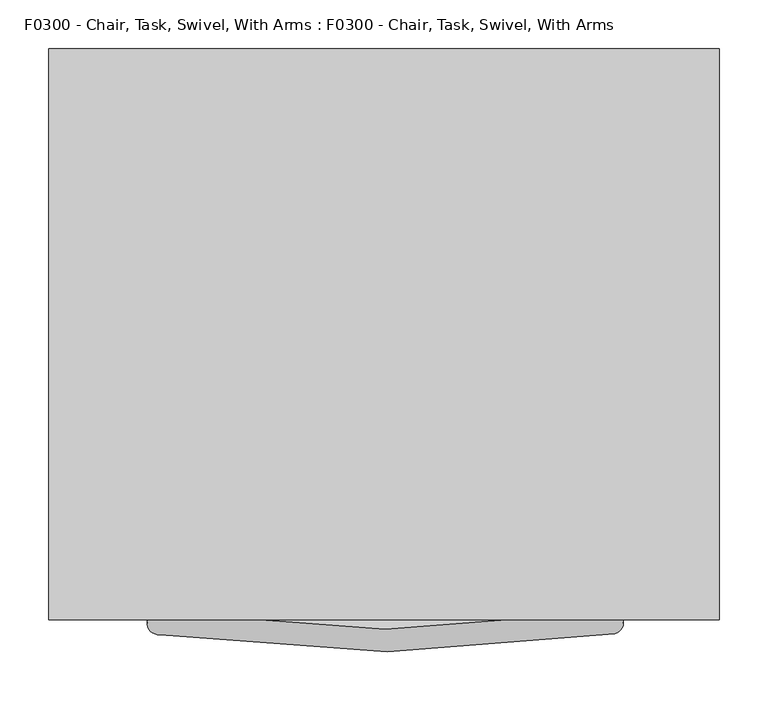
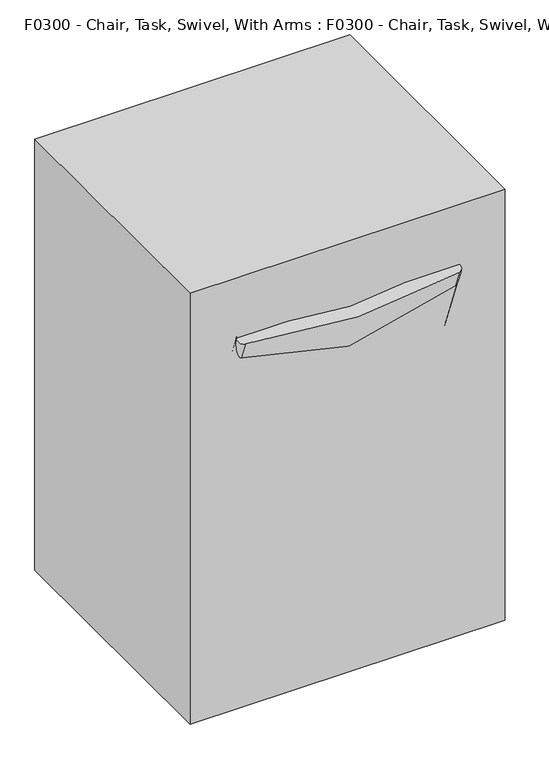
"""IFC4 building model written with IfcOpenShell, lengths in millimetres: proxy geometry, F0300 - Chair, Task, Swivel, With Arms : F0300 - Chair, Task, Swivel, With Arms."""

from ifc_helpers import new_model, si_unit, point, frame, frame_2d, origin, origin_with_axes, origin_2d, place, context, project, spatial, polyline, circle_curve, ellipse_curve, trimmed, segment, composite_curve, outline, extrude, source, transform, mapped, element, save
from ifc_brep_helpers import plane_surface, cylinder_surface, revolved_surface, advanced_brep


def f0300_chair_task_swivel_with_arms_f0300_chair_task_swivel_94210f66(model_context):
    return source(origin(), model_context, "Body", "SolidModel", [
        advanced_brep(
        [(20.5891067, 0.9088165, 158.3164474), (12.606954, -16.2089653, 158.3164474), (12.606954, -16.2089653, 212.7487443), (20.5891067, 0.9088165, 212.7487443), (283.7284885, -121.7950923, 86.0096871), (283.7284885, -121.7950923, 57.6571213), (275.3053581, -138.7072429, 86.2220806), (287.501904, -133.9556376, 82.2734822), (275.3053581, -138.7072429, 57.8258095), (287.501904, -133.9556376, 54.689734)],
        [
            (0, 1),
            (1, 2),
            (2, 3),
            (3, 0),
            (3, 4),
            (4, 5),
            (5, 0),
            (2, 6),
            (6, 7, ellipse_curve(frame((278.918781, -129.9532617, 86.4074773), z_axis=(0.3625792018206629, -0.16907345849670724, 0.9164881276039822), x_axis=(0.8306203267741233, -0.3873246193939933, -0.40006188516396646)), 10.333389, 9.4704283)),
            (7, 4, ellipse_curve(frame((278.918781, -129.9532617, 86.4074773), z_axis=(0.3625792018206629, -0.16907345849670724, 0.9164881276039822), x_axis=(0.8306203267741233, -0.3873246193939933, -0.40006188516396646)), 10.333389, 9.4704283)),
            (1, 8),
            (8, 6),
            (5, 9, ellipse_curve(frame((278.918781, -129.9532617, 57.9730562), z_axis=(-0.2968743688836678, 0.13843479172039067, -0.9448287768380342), x_axis=(0.8563056778646188, -0.3993018953098915, -0.3275646233321667)), 10.0234334, 9.4704283)),
            (9, 8, ellipse_curve(frame((278.918781, -129.9532617, 57.9730562), z_axis=(-0.2968743688836678, 0.13843479172039067, -0.9448287768380342), x_axis=(0.8563056778646188, -0.3993018953098915, -0.3275646233321667)), 10.0234334, 9.4704283)),
            (9, 7),
        ],
        [
            plane_surface(frame((16.5980304, -7.6500744, 185.5325958), z_axis=(-0.9063077870366449, 0.42261826174071043, 0.0), x_axis=(-0.42261826174071043, -0.9063077870366449, 0.0))),
            plane_surface(frame((20.5891067, 0.9088165, 185.5325958), z_axis=(0.4226182617407104, 0.9063077870366448, 0.0), x_axis=(0.0, 0.0, 1.0))),
            plane_surface(frame((16.5980304, -7.6500744, 212.7487443), z_axis=(0.36257920182066294, -0.16907345849670727, 0.9164881276039825), x_axis=(-0.42261826174071043, -0.9063077870366449, 0.0))),
            plane_surface(frame((12.606954, -16.2089653, 185.5325958), z_axis=(-0.4226182617407102, -0.906307787036645, 0.0), x_axis=(0.0, 0.0, -1.0))),
            plane_surface(frame((16.5980304, -7.6500744, 158.3164474), z_axis=(-0.29687436888366786, 0.1384347917203907, -0.9448287768380345), x_axis=(0.42261826174071043, 0.9063077870366449, 0.0))),
            cylinder_surface(frame((278.918781, -129.9532617, 0.0), z_axis=(0.0, 0.0, -1.0000000000000002), x_axis=(-0.9063077870366449, 0.42261826174071043, 0.0)), 9.4704283),
        ],
        [
            (0, [[1, 2, 3, 4]]),
            (1, [[-4, 5, 6, 7]]),
            (2, [[-3, 8, 9, 10, -5]]),
            (3, [[-2, 11, 12, -8]]),
            (4, [[-1, -7, 13, 14, -11]]),
            (5, [[15, -9, -12, -14]]),
            (5, [[-15, -13, -6, -10]]),
        ],
    ),
        extrude(outline(composite_curve([segment(trimmed(circle_curve(frame_2d((-0.4565328, 0.2009494)), 25.4), [point((24.9434672, 0.2009494))], [point((-25.8565328, 0.2009494))], False, "CARTESIAN"), True, "CONTINUOUS"), segment(trimmed(circle_curve(frame_2d((-0.4565328, 0.2009494)), 25.4), [point((-25.8565328, 0.2009494))], [point((24.9434672, 0.2009494))], False, "CARTESIAN"), True, "CONTINUOUS")], self_intersect=False)), frame((0.0, 0.0, 154.0271692), z_axis=(0.0, 0.0, 1.0), x_axis=(1.0, 0.0, 0.0)), (0.0, 0.0, 1.0), 58.7215752),
        advanced_brep(
        [(-229.5082147, -191.2947504, 328.6387079), (232.0214447, -190.8605661, 328.5937403), (236.3508412, -215.7557493, 331.1720849), (-229.5082147, -216.926585, 331.293346), (-229.5082147, -284.2177228, 855.6310718), (-229.5082147, -307.3958289, 844.3699241), (236.3508412, -306.337077, 844.8843217), (232.0214447, -283.8251028, 855.8218273)],
        [
            (0, 1, circle_curve(frame((0.0, 1130.5045098, 191.7425871), z_axis=(0.0, 0.10301698777210262, 0.9946795967699159), x_axis=(-1.0, 0.0, 0.0)), 1348.5428628)),
            (1, 2, circle_curve(frame((232.0214447, -203.6806144, 329.9214872), z_axis=(0.0, -0.10301698777210262, -0.9946795967699159), x_axis=(-1.0, 0.0, 0.0)), 12.888621)),
            (2, 3, circle_curve(frame((0.0, 1130.5045098, 191.7425871), z_axis=(0.0, -0.10301698777210262, -0.9946795967699159), x_axis=(-1.0, 0.0, 0.0)), 1373.9428628)),
            (3, 0, circle_curve(frame((-229.5082147, -204.1106677, 329.9660269), z_axis=(0.0, -0.10301698777210262, -0.9946795967699159), x_axis=(-1.0, 0.0, 0.0)), 12.8844679)),
            (4, 5, circle_curve(frame((-229.5082147, -295.8067759, 850.0004979), z_axis=(0.0, -0.4370047614753844, 0.8994591922082082), x_axis=(-1.0, 0.0, 0.0)), 12.8844679)),
            (5, 6, circle_curve(frame((0.0, 911.0460573, 1436.3533187), z_axis=(0.0, -0.4370047614753844, 0.8994591922082082), x_axis=(-1.0, 0.0, 0.0)), 1373.9428628)),
            (6, 7, circle_curve(frame((232.0214447, -295.4178914, 850.1894385), z_axis=(0.0, -0.4370047614753844, 0.8994591922082082), x_axis=(-1.0, 0.0, 0.0)), 12.888621)),
            (7, 4, circle_curve(frame((0.0, 911.0460573, 1436.3533187), z_axis=(0.0, 0.4370047614753844, -0.8994591922082082), x_axis=(-1.0, 0.0, 0.0)), 1348.5428628)),
            (7, 1, circle_curve(frame((232.0214447, -1161.9751957, 429.1701512), z_axis=(-1.0, 0.0, 0.0), x_axis=(0.0, 0.9946795967699159, -0.10301698777210261)), 976.308987)),
            (0, 4, circle_curve(frame((-229.5082147, -1161.9751957, 429.1701512), z_axis=(1.0, 0.0, 0.0), x_axis=(0.0, 0.9946795967699159, -0.10301698777210261)), 975.8724803)),
            (6, 2, circle_curve(frame((236.3508412, -1161.9751957, 429.1701512), z_axis=(-1.0, 0.0, 0.0), x_axis=(0.0, 0.9946795967699159, -0.10301698777210261)), 951.280643)),
            (5, 3, circle_curve(frame((-229.5082147, -1161.9751957, 429.1701512), z_axis=(-1.0, 0.0, 0.0), x_axis=(0.0, 0.9946795967699159, -0.10301698777210261)), 950.1035446)),
        ],
        [
            plane_surface(frame((-317.5, -173.1564347, 326.7601586), z_axis=(0.0, -0.10301698777210258, -0.994679596769916), x_axis=(-1.0, 0.0, 0.0))),
            plane_surface(frame((-317.5, -267.815783, 863.6), z_axis=(0.0, -0.4370047614753844, 0.8994591922082082), x_axis=(-1.0, 0.0, 0.0))),
            revolved_surface(trimmed(ellipse_curve(frame((0.0, 1130.5045098, 191.7425871), z_axis=(0.0, 0.10301698777210262, 0.9946795967699159), x_axis=(-1.0, 0.0, 0.0)), 1348.5428628, 1348.5428628), [point((-229.5082147, -191.2947504, 328.6387079))], [point((232.0214447, -190.8605661, 328.5937403))], True, "CARTESIAN"), (-317.5, -1161.9751957, 429.1701512), (1.0, 0.0, 0.0)),
            revolved_surface(trimmed(ellipse_curve(frame((232.0214447, -203.6806144, 329.9214872), z_axis=(0.0, -0.10301698777210262, -0.9946795967699159), x_axis=(-1.0, 0.0, 0.0)), 12.888621, 12.888621), [point((232.0214447, -190.8605661, 328.5937403))], [point((236.3508412, -215.7557493, 331.1720849))], True, "CARTESIAN"), (-317.5, -1161.9751957, 429.1701512), (1.0, 0.0, 0.0)),
            revolved_surface(trimmed(ellipse_curve(frame((0.0, 1130.5045098, 191.7425871), z_axis=(0.0, -0.10301698777210262, -0.9946795967699159), x_axis=(-1.0, 0.0, 0.0)), 1373.9428628, 1373.9428628), [point((236.3508412, -215.7557493, 331.1720849))], [point((-229.5082147, -216.926585, 331.293346))], True, "CARTESIAN"), (-317.5, -1161.9751957, 429.1701512), (1.0, 0.0, 0.0)),
            revolved_surface(trimmed(ellipse_curve(frame((-229.5082147, -204.1106677, 329.9660269), z_axis=(0.0, -0.10301698777210262, -0.9946795967699159), x_axis=(-1.0, 0.0, 0.0)), 12.8844679, 12.8844679), [point((-229.5082147, -216.926585, 331.293346))], [point((-229.5082147, -191.2947504, 328.6387079))], True, "CARTESIAN"), (-317.5, -1161.9751957, 429.1701512), (1.0, 0.0, 0.0)),
        ],
        [
            (0, [[1, 2, 3, 4]]),
            (1, [[5, 6, 7, 8]]),
            (2, [[9, -1, 10, -8]]),
            (3, [[11, -2, -9, -7]]),
            (4, [[12, -3, -11, -6]]),
            (5, [[-10, -4, -12, -5]]),
        ],
    ),
        extrude(outline(composite_curve([segment(polyline([(-213.079753, -174.0379297), (-213.079753, 182.9075832)]), True, "CONTINUOUS"), segment(trimmed(circle_curve(frame_2d((-186.3342402, 182.9075832)), 26.7455128), [point((-213.079753, 182.9075832))], [point((-186.3342402, 209.653096))], False, "CARTESIAN"), True, "CONTINUOUS"), segment(polyline([(-186.3342402, 209.653096), (194.6657598, 209.653096)]), True, "CONTINUOUS"), segment(trimmed(circle_curve(frame_2d((194.6657598, 182.9075832)), 26.7455128), [point((194.6657598, 209.653096))], [point((221.4112726, 182.9075832))], False, "CARTESIAN"), True, "CONTINUOUS"), segment(polyline([(221.4112726, 182.9075832), (221.4112726, -174.0379297), (-213.079753, -174.0379297)]), True, "CONTINUOUS")], self_intersect=False)), frame((0.0, 0.0, 324.0440254), z_axis=(0.0, 0.0, 1.0), x_axis=(1.0, 0.0, 0.0)), (0.0, 0.0, 1.0), 67.8491407),
        advanced_brep(
        [(-213.079753, -172.6924168, 391.8931661), (-211.7342402, -174.0379297, 391.8931661), (-211.7342402, -174.0379297, 324.0440254), (-213.079753, -172.6924168, 324.0440254), (-213.079753, 182.9075832, 324.0440254), (-213.079753, 182.9075832, 391.8931661), (-186.3342402, 209.653096, 391.8931661), (-186.3342402, 209.653096, 324.0440254), (194.6657598, 209.653096, 324.0440254), (194.6657598, 209.653096, 391.8931661), (221.4112726, 182.9075832, 391.8931661), (221.4112726, 182.9075832, 324.0440254), (221.4112726, -172.6924168, 324.0440254), (221.4112726, -172.6924168, 391.8931661), (220.0657598, -174.0379297, 391.8931661), (220.0657598, -174.0379297, 324.0440254)],
        [
            (0, 1, circle_curve(frame((-211.7342402, -172.6924168, 391.8931661), z_axis=(0.0, 0.0, 1.0), x_axis=(0.0, -1.0, 0.0)), 1.3455128)),
            (1, 2),
            (2, 3, circle_curve(frame((-211.7342402, -172.6924168, 324.0440254), z_axis=(0.0, 0.0, -1.0), x_axis=(0.0, -1.0, 0.0)), 1.3455128)),
            (3, 0),
            (2, 1, circle_curve(frame((-211.7342402, -174.0379297, 357.9685958), z_axis=(-1.0, 0.0, 0.0), x_axis=(0.0, 1.0, 0.0)), 33.9245703)),
            (0, 3, circle_curve(frame((-213.079753, -172.6924168, 357.9685958), z_axis=(0.0, -1.0, 0.0), x_axis=(1.0, 0.0, 0.0)), 33.9245703)),
            (3, 4),
            (4, 5),
            (5, 0),
            (5, 4, circle_curve(frame((-213.079753, 182.9075832, 357.9685958), z_axis=(0.0, -1.0, 0.0), x_axis=(1.0, 0.0, 0.0)), 33.9245703)),
            (6, 5, circle_curve(frame((-186.3342402, 182.9075832, 391.8931661), z_axis=(0.0, 0.0, 1.0), x_axis=(-1.0, 0.0, 0.0)), 26.7455128)),
            (4, 7, circle_curve(frame((-186.3342402, 182.9075832, 324.0440254), z_axis=(0.0, 0.0, -1.0), x_axis=(-1.0, 0.0, 0.0)), 26.7455128)),
            (7, 6),
            (6, 7, circle_curve(frame((-186.3342402, 209.653096, 357.9685958), z_axis=(-1.0, 0.0, 0.0), x_axis=(0.0, -1.0, 0.0)), 33.9245703)),
            (7, 8),
            (8, 9),
            (9, 6),
            (9, 8, circle_curve(frame((194.6657598, 209.653096, 357.9685958), z_axis=(-1.0, 0.0, 0.0), x_axis=(0.0, -1.0, 0.0)), 33.9245703)),
            (10, 9, circle_curve(frame((194.6657598, 182.9075832, 391.8931661), z_axis=(0.0, 0.0, 1.0), x_axis=(0.0, 1.0, 0.0)), 26.7455128)),
            (8, 11, circle_curve(frame((194.6657598, 182.9075832, 324.0440254), z_axis=(0.0, 0.0, -1.0), x_axis=(0.0, 1.0, 0.0)), 26.7455128)),
            (11, 10),
            (10, 11, circle_curve(frame((221.4112726, 182.9075832, 357.9685958), z_axis=(0.0, 1.0, 0.0), x_axis=(-1.0, 0.0, 0.0)), 33.9245703)),
            (11, 12),
            (12, 13),
            (13, 10),
            (13, 12, circle_curve(frame((221.4112726, -172.6924168, 357.9685958), z_axis=(0.0, 1.0, 0.0), x_axis=(-1.0, 0.0, 0.0)), 33.9245703)),
            (14, 13, circle_curve(frame((220.0657598, -172.6924168, 391.8931661), z_axis=(0.0, 0.0, 1.0), x_axis=(1.0, 0.0, 0.0)), 1.3455128)),
            (12, 15, circle_curve(frame((220.0657598, -172.6924168, 324.0440254), z_axis=(0.0, 0.0, -1.0), x_axis=(1.0, 0.0, 0.0)), 1.3455128)),
            (15, 14),
            (14, 15, circle_curve(frame((220.0657598, -174.0379297, 357.9685958), z_axis=(1.0, 0.0, 0.0), x_axis=(0.0, 1.0, 0.0)), 33.9245703)),
            (15, 2),
            (1, 14),
        ],
        [
            revolved_surface(polyline([(-211.7342402, -174.03792959999998, 324.0440254), (-211.7342402, -174.03792959999998, 391.8931661)]), (-211.7342402, -172.6924168, 0.0), (0.0, 0.0, -1.0)),
            revolved_surface(trimmed(ellipse_curve(frame((-211.7342402, -174.0379297, 357.9685958), z_axis=(1.0, 0.0, 0.0), x_axis=(0.0, 1.0, 0.0)), 33.9245703, 33.9245703), [point((-211.7342402, -174.0379297, 391.8931661))], [point((-211.7342402, -174.0379297, 324.0440254))], True, "CARTESIAN"), (-211.7342402, -172.6924168, 0.0), (0.0, 0.0, -1.0)),
            plane_surface(frame((-213.079753, -172.6924168, 324.0440254), z_axis=(1.0, 0.0, 0.0), x_axis=(0.0, 1.0, 0.0))),
            cylinder_surface(frame((-213.079753, -172.6924168, 357.9685958), z_axis=(0.0, -1.0, 0.0), x_axis=(1.0, 0.0, 0.0)), 33.9245703),
            revolved_surface(polyline([(-213.079753, 182.9075832, 324.0440254), (-213.079753, 182.9075832, 391.8931661)]), (-186.3342402, 182.9075832, 0.0), (0.0, 0.0, -1.0)),
            revolved_surface(trimmed(ellipse_curve(frame((-213.079753, 182.9075832, 357.9685958), z_axis=(0.0, -1.0, 0.0), x_axis=(1.0, 0.0, 0.0)), 33.9245703, 33.9245703), [point((-213.079753, 182.9075832, 391.8931661))], [point((-213.079753, 182.9075832, 324.0440254))], True, "CARTESIAN"), (-186.3342402, 182.9075832, 0.0), (0.0, 0.0, -1.0)),
            plane_surface(frame((-186.3342402, 209.653096, 324.0440254), z_axis=(0.0, -1.0, 0.0), x_axis=(1.0, 0.0, 0.0))),
            cylinder_surface(frame((-186.3342402, 209.653096, 357.9685958), z_axis=(-1.0, 0.0, 0.0), x_axis=(0.0, -1.0, 0.0)), 33.9245703),
            revolved_surface(polyline([(194.6657598, 209.653096, 324.0440254), (194.6657598, 209.653096, 391.8931661)]), (194.6657598, 182.9075832, 0.0), (0.0, 0.0, -1.0)),
            revolved_surface(trimmed(ellipse_curve(frame((194.6657598, 209.653096, 357.9685958), z_axis=(-1.0, 0.0, 0.0), x_axis=(0.0, -1.0, 0.0)), 33.9245703, 33.9245703), [point((194.6657598, 209.653096, 391.8931661))], [point((194.6657598, 209.653096, 324.0440254))], True, "CARTESIAN"), (194.6657598, 182.9075832, 0.0), (0.0, 0.0, -1.0)),
            plane_surface(frame((221.4112726, 182.9075832, 324.0440254), z_axis=(-1.0, 0.0, 0.0), x_axis=(0.0, -1.0, 0.0))),
            cylinder_surface(frame((221.4112726, 182.9075832, 357.9685958), z_axis=(0.0, 1.0, 0.0), x_axis=(-1.0, 0.0, 0.0)), 33.9245703),
            revolved_surface(polyline([(221.4112726, -172.6924168, 324.0440254), (221.4112726, -172.6924168, 391.8931661)]), (220.0657598, -172.6924168, 0.0), (0.0, 0.0, -1.0)),
            revolved_surface(trimmed(ellipse_curve(frame((221.4112726, -172.6924168, 357.9685958), z_axis=(0.0, 1.0, 0.0), x_axis=(-1.0, 0.0, 0.0)), 33.9245703, 33.9245703), [point((221.4112726, -172.6924168, 391.8931661))], [point((221.4112726, -172.6924168, 324.0440254))], True, "CARTESIAN"), (220.0657598, -172.6924168, 0.0), (0.0, 0.0, -1.0)),
            plane_surface(frame((220.0657598, -174.0379297, 324.0440254), z_axis=(0.0, 1.0, 0.0), x_axis=(-1.0, 0.0, 0.0))),
            cylinder_surface(frame((220.0657598, -174.0379297, 357.9685958), z_axis=(1.0, 0.0, 0.0), x_axis=(0.0, 1.0, 0.0)), 33.9245703),
        ],
        [
            (0, [[1, 2, 3, 4]]),
            (1, [[-3, 5, -1, 6]]),
            (2, [[-4, 7, 8, 9]]),
            (3, [[-6, -9, 10, -7]]),
            (4, [[11, -8, 12, 13]]),
            (5, [[-12, -10, -11, 14]]),
            (6, [[-13, 15, 16, 17]]),
            (7, [[-14, -17, 18, -15]]),
            (8, [[19, -16, 20, 21]]),
            (9, [[-20, -18, -19, 22]]),
            (10, [[-21, 23, 24, 25]]),
            (11, [[-22, -25, 26, -23]]),
            (12, [[27, -24, 28, 29]]),
            (13, [[-28, -26, -27, 30]]),
            (14, [[-29, 31, -2, 32]]),
            (15, [[-30, -32, -5, -31]]),
        ],
    ),
        extrude(outline(composite_curve([segment(trimmed(circle_curve(origin_2d(), 12.7), [point((12.7, 0.0))], [point((-12.7, 0.0))], False, "CARTESIAN"), True, "CONTINUOUS"), segment(trimmed(circle_curve(origin_2d(), 12.7), [point((-12.7, 0.0))], [point((12.7, 0.0))], False, "CARTESIAN"), True, "CONTINUOUS")], self_intersect=False)), frame((0.0, 0.0, 212.7487443), z_axis=(0.0, 0.0, 1.0), x_axis=(1.0, 0.0, 0.0)), (0.0, 0.0, 1.0), 66.217703),
        extrude(outline(polyline([(342.9, 292.1), (342.9, -292.1), (-342.9, -292.1), (-342.9, 292.1), (342.9, 292.1)])), origin_with_axes(), (0.0, 0.0, 1.0), 990.6),
    ])


if __name__ == "__main__":
    model = new_model("IFC4")
    model_context = context("Model", 3, world=origin())
    ifc_project = project(units=[si_unit("LENGTHUNIT", "METRE", prefix="MILLI")], contexts=[model_context])
    site = spatial("IfcSite", under=ifc_project)
    building = spatial("IfcBuilding", under=site)
    placement = place(None, origin())
    f0300_chair_task_swivel_with_arms_f0300_chair_task_swivel_shape = f0300_chair_task_swivel_with_arms_f0300_chair_task_swivel_94210f66(model_context)
    element("IfcBuildingElementProxy", 1, Name="F0300 - Chair, Task, Swivel, With Arms : F0300 - Chair, Task, Swivel, With Arms", ObjectType="F0300 - Chair, Task, Swivel, With Arms : F0300 - Chair, Task, Swivel, With Arms", at=placement, inside=building, context=model_context, shape_type="MappedRepresentation", body=[
        mapped(f0300_chair_task_swivel_with_arms_f0300_chair_task_swivel_shape, transform((0.0, 0.0, 0.0), x_axis=(1.0, 0.0, 0.0), y_axis=(0.0, 1.0, 0.0), z_axis=(0.0, 0.0, 1.0))),
    ])
    save(model, "model.ifc")
